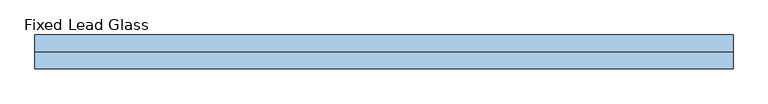
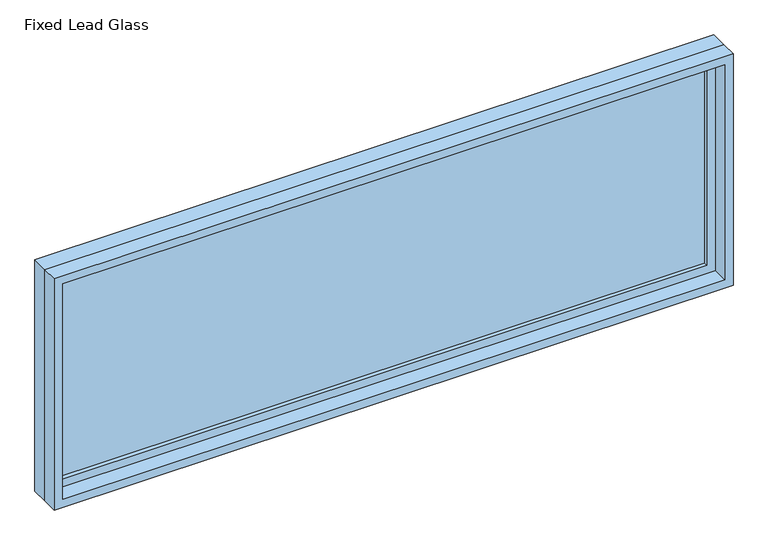
"""IFC4 building model written with IfcOpenShell, lengths in millimetres: window geometry, Fixed Lead Glass."""

import ifcopenshell
import ifcopenshell.guid

model = None  # the IFC model being written
_history = None  # IfcOwnerHistory: only IFC2X3 demands one
_inside = {}  # id of a spatial element -> (the spatial element, [elements in it])
_under = {}  # id of a project, library or spatial element -> (it, [spatial elements below it])
_declared = {}  # id of a project -> (the project, [libraries it declares])
_typed = {}  # id of a type object -> (the type object, [elements of that type])
_made_of = {}  # id of a material, layer set ... -> (it, [elements and type objects made of it])


def new_model(schema):
    """Start an empty IFC model of exactly this schema.

    Asked for "IFC4X3", IfcOpenShell would pick the latest addendum, in which some entities
    have other attributes; the version numbers below select the first issue.
    IFC2X3 requires an IfcOwnerHistory on every rooted entity: one is made here for all.
    """
    global model, _history
    if schema == "IFC4X3":
        model = ifcopenshell.file(schema_version=(4, 3, 0, 0))
    else:
        model = ifcopenshell.file(schema=schema)
    _inside.clear()
    _under.clear()
    _declared.clear()
    _typed.clear()
    _made_of.clear()
    _history = None
    if model.schema == "IFC2X3":
        org = make("IfcOrganization", Name="unknown")
        user = make(
            "IfcPersonAndOrganization",
            ThePerson=make("IfcPerson", FamilyName="unknown"),
            TheOrganization=org,
        )
        app = make(
            "IfcApplication",
            ApplicationDeveloper=org,
            Version="unknown",
            ApplicationFullName="unknown",
            ApplicationIdentifier="unknown",
        )
        _history = make(
            "IfcOwnerHistory",
            OwningUser=user,
            OwningApplication=app,
            ChangeAction="ADDED",
            CreationDate=0,
        )
    return model


def make(cls, **values):
    """One entity of the class cls with the attributes given. An attribute that is None is left unset."""
    return model.create_entity(
        cls, **{name: value for name, value in values.items() if value is not None}
    )


def rooted(cls, **values):
    """An entity with a GlobalId (a new one), such as an element, a storey or a relation."""
    return make(cls, GlobalId=ifcopenshell.guid.new(), OwnerHistory=_history, **values)


def si_unit(unit_type, name, prefix=None):
    """IfcSIUnit, for example si_unit("LENGTHUNIT", "METRE", prefix="MILLI")."""
    return make("IfcSIUnit", UnitType=unit_type, Prefix=prefix, Name=name)


def assignment(units):
    """IfcUnitAssignment: the units of a project."""
    return None if units is None else make("IfcUnitAssignment", Units=units)


def point(xyz):
    """IfcCartesianPoint."""
    return None if xyz is None else make("IfcCartesianPoint", Coordinates=xyz)


def direction(xyz):
    """IfcDirection."""
    return None if xyz is None else make("IfcDirection", DirectionRatios=xyz)


def frame(location, z_axis=None, x_axis=None):
    """IfcAxis2Placement3D, a coordinate frame: its origin and axes. An axis left out is left unset."""
    return make(
        "IfcAxis2Placement3D",
        Location=point(location),
        Axis=direction(z_axis),
        RefDirection=direction(x_axis),
    )


def origin():
    """The frame at (0, 0, 0) with its axes left unset."""
    return frame((0.0, 0.0, 0.0))


def place(relative_to, where):
    """IfcLocalPlacement: puts the frame where relative to a parent placement (None: the world)."""
    return make(
        "IfcLocalPlacement", PlacementRelTo=relative_to, RelativePlacement=where
    )


def context(
    kind, dimensions, precision=None, world=None, true_north=None, identifier=None
):
    """IfcGeometricRepresentationContext, for example the 3D "Model" context."""
    return make(
        "IfcGeometricRepresentationContext",
        ContextIdentifier=identifier,
        ContextType=kind,
        CoordinateSpaceDimension=dimensions,
        Precision=precision,
        WorldCoordinateSystem=world,
        TrueNorth=true_north,
    )


def project(units=None, contexts=None):
    """IfcProject with its units and contexts."""
    return rooted(
        "IfcProject",
        Name="project",
        RepresentationContexts=contexts,
        UnitsInContext=assignment(units),
    )


def spatial(cls, under=None, at=None, **own):
    """A site, building, storey or space (cls), placed at a placement, below another one or the project."""
    s = rooted(cls, ObjectPlacement=at, **own)
    if under is not None:
        _under.setdefault(under.id(), (under, []))[1].append(s)
    return s


def polyline(points):
    """IfcPolyline through the points."""
    return make("IfcPolyline", Points=[point(p) for p in points])


def outline(outer, holes=None, kind="AREA"):
    """IfcArbitraryClosedProfileDef: a profile drawn as a closed curve; with holes, ...WithVoids."""
    if holes is None:
        return make("IfcArbitraryClosedProfileDef", ProfileType=kind, OuterCurve=outer)
    return make(
        "IfcArbitraryProfileDefWithVoids",
        ProfileType=kind,
        OuterCurve=outer,
        InnerCurves=holes,
    )


def extrude(swept, where, along, depth):
    """IfcExtrudedAreaSolid: the profile swept, set in the frame where, extruded along a direction by depth."""
    return make(
        "IfcExtrudedAreaSolid",
        SweptArea=swept,
        Position=where,
        ExtrudedDirection=direction(along),
        Depth=depth,
    )


def shape(context_of_items, identifier, shape_type, items):
    """IfcShapeRepresentation: the items that make up one representation, for example the "Body"."""
    return make(
        "IfcShapeRepresentation",
        ContextOfItems=context_of_items,
        RepresentationIdentifier=identifier,
        RepresentationType=shape_type,
        Items=items,
    )


def source(mapping_origin, context_of_items, identifier, shape_type, items):
    """IfcRepresentationMap: a shape defined once, which mapped items show again and again."""
    return make(
        "IfcRepresentationMap",
        MappingOrigin=mapping_origin,
        MappedRepresentation=shape(context_of_items, identifier, shape_type, items),
    )


def transform(
    local_origin,
    x_axis=None,
    y_axis=None,
    z_axis=None,
    scale=None,
    scale2=None,
    scale3=None,
    uniform=True,
):
    """IfcCartesianTransformationOperator3D, or its non-uniform kind. x_axis, y_axis, z_axis: its Axis1, 2, 3."""
    if uniform:
        return make(
            "IfcCartesianTransformationOperator3D",
            Axis1=direction(x_axis),
            Axis2=direction(y_axis),
            LocalOrigin=point(local_origin),
            Scale=scale,
            Axis3=direction(z_axis),
        )
    return make(
        "IfcCartesianTransformationOperator3DnonUniform",
        Axis1=direction(x_axis),
        Axis2=direction(y_axis),
        LocalOrigin=point(local_origin),
        Scale=scale,
        Axis3=direction(z_axis),
        Scale2=scale2,
        Scale3=scale3,
    )


def mapped(mapping_source, mapping_target):
    """IfcMappedItem: shows the shape of a source again, moved by a transform."""
    return make(
        "IfcMappedItem", MappingSource=mapping_source, MappingTarget=mapping_target
    )


def made_of(thing, what):
    """Note that an element or type object is made of a material, layer set ...; save() writes the relation."""
    if what is not None:
        _made_of.setdefault(what.id(), (what, []))[1].append(thing)
    return thing


def element(
    cls,
    number,
    at=None,
    inside=None,
    cuts=None,
    type_object=None,
    material=None,
    context=None,
    identifier="Body",
    shape_type=None,
    held_by="IfcProductDefinitionShape",
    body=None,
    shapes=None,
    **own,
):
    """One element of the class cls, such as IfcWall. Its Tag is "e" and its number.

    at: its placement. inside: the storey or other place that contains it. cuts: it is an
    opening in that element (IfcRelVoidsElement). A single representation is given by context,
    identifier, shape_type and body (its items); several are given by shapes. held_by: the class
    of the entity that holds the representations. save() writes the other relations.
    """
    e = rooted(cls, Tag="e%d" % number, ObjectPlacement=at, **own)
    if body is not None:
        shapes = [shape(context, identifier, shape_type, body)]
    if shapes is not None:
        e.Representation = make(held_by, Representations=shapes)
    if inside is not None:
        _inside.setdefault(inside.id(), (inside, []))[1].append(e)
    if cuts is not None:
        rooted(
            "IfcRelVoidsElement", RelatingBuildingElement=cuts, RelatedOpeningElement=e
        )
    if type_object is not None:
        _typed.setdefault(type_object.id(), (type_object, []))[1].append(e)
    return made_of(e, material)


def aggregate(whole, parts):
    """IfcRelAggregates: a whole, such as a stair, and the parts it consists of."""
    return rooted("IfcRelAggregates", RelatingObject=whole, RelatedObjects=parts)


def save(model, path):
    """Write the relations noted so far, then the file.

    IfcRelAggregates (storeys below a building ...), IfcRelContainedInSpatialStructure (elements
    in a storey), IfcRelDefinesByType, IfcRelAssociatesMaterial and IfcRelDeclares: one each for
    every whole, place, type object, material and project.
    """
    for whole, parts in _under.values():
        aggregate(whole, parts)
    for where, things in _inside.values():
        rooted(
            "IfcRelContainedInSpatialStructure",
            RelatedElements=things,
            RelatingStructure=where,
        )
    for kind, things in _typed.values():
        rooted("IfcRelDefinesByType", RelatedObjects=things, RelatingType=kind)
    for what, things in _made_of.values():
        rooted("IfcRelAssociatesMaterial", RelatedObjects=things, RelatingMaterial=what)
    for by, libraries in _declared.values():
        rooted("IfcRelDeclares", RelatingContext=by, RelatedDefinitions=libraries)
    model.write(path)


def fixed_lead_glass_d3f47630(model_context):
    return source(origin(), model_context, "Body", "SweptSolid", [
        extrude(outline(polyline([(1168.4, 14.2875), (-1244.6, 14.2875), (-1244.6, 26.9875), (1168.4, 26.9875), (1168.4, 14.2875)])), frame((0.0, 0.0, 1130.3), z_axis=(0.0, 0.0, 1.0), x_axis=(1.0, 0.0, 0.0)), (0.0, 0.0, 1.0), 787.4),
        extrude(outline(polyline([(1962.15, -1289.05), (1085.85, -1289.05), (1085.85, 1212.85), (1962.15, 1212.85), (1962.15, -1289.05)]), holes=[polyline([(1917.7, -1244.6), (1917.7, 1168.4), (1130.3, 1168.4), (1130.3, -1244.6), (1917.7, -1244.6)])]), frame((0.0, -1.5875, 0.0), z_axis=(0.0, 1.0, 0.0), x_axis=(0.0, 0.0, 1.0)), (0.0, 0.0, 1.0), 44.45),
        extrude(outline(polyline([(1981.2, -1308.1), (1066.8, -1308.1), (1066.8, 1231.9), (1981.2, 1231.9), (1981.2, -1308.1)]), holes=[polyline([(1949.45, -1276.35), (1949.45, 1200.15), (1098.55, 1200.15), (1098.55, -1276.35), (1949.45, -1276.35)])]), frame((0.0, -61.9125, 0.0), z_axis=(0.0, 1.0, 0.0), x_axis=(0.0, 0.0, 1.0)), (0.0, 0.0, 1.0), 60.325),
        extrude(outline(polyline([(1981.2, 1231.9), (1981.2, -1308.1), (1066.8, -1308.1), (1066.8, 1231.9), (1981.2, 1231.9)]), holes=[polyline([(1962.15, 1212.85), (1085.85, 1212.85), (1085.85, -1289.05), (1962.15, -1289.05), (1962.15, 1212.85)])]), frame((0.0, -1.5875, 0.0), z_axis=(0.0, 1.0, 0.0), x_axis=(0.0, 0.0, 1.0)), (0.0, 0.0, 1.0), 63.5),
    ])


if __name__ == "__main__":
    model = new_model("IFC4")
    model_context = context("Model", 3, world=origin())
    ifc_project = project(units=[si_unit("LENGTHUNIT", "METRE", prefix="MILLI")], contexts=[model_context])
    site = spatial("IfcSite", under=ifc_project)
    building = spatial("IfcBuilding", under=site)
    placement = place(None, origin())
    fixed_lead_glass_shape = fixed_lead_glass_d3f47630(model_context)
    element("IfcWindow", 1, ObjectType="Fixed Lead Glass", at=placement, inside=building, context=model_context, shape_type="MappedRepresentation", body=[
        mapped(fixed_lead_glass_shape, transform((0.0, 0.0, 0.0), x_axis=(1.0, 0.0, 0.0), y_axis=(0.0, 1.0, 0.0), z_axis=(0.0, 0.0, 1.0))),
    ])
    save(model, "model.ifc")
